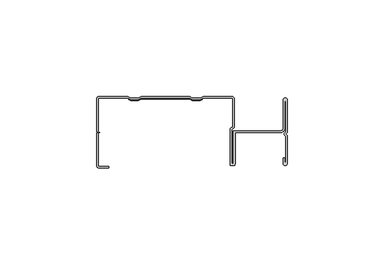
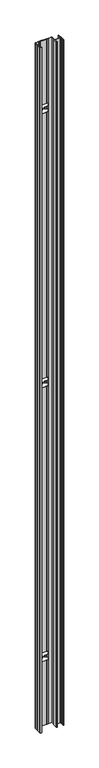
"""IFC4 building model written with IfcOpenShell, lengths in millimetres: proxy geometry."""

from ifc_helpers import new_model, si_unit, frame, origin, place, context, project, spatial, polyline, circle_curve, source, transform, mapped, element, save
from ifc_brep_helpers import plane_surface, cylinder_surface, revolved_surface, advanced_brep


def generic_models_afb41760(model_context):
    return source(origin(), model_context, "Body", "AdvancedBrep", [
        advanced_brep(
        [(-48.45, -36.2, 3000.0), (-48.45, -19.0, 3000.0), (-47.65, -18.5, 3000.0), (-48.45, -18.0, 3000.0), (-48.45, -0.8, 3000.0), (-33.25, -0.8, 3000.0), (-31.75, -1.6, 3000.0), (-27.75, -1.6, 3000.0), (-26.25, -0.8, 3000.0), (-1.2430409, -0.8, 3000.0), (0.2569591, -1.6, 3000.0), (4.2569591, -1.6, 3000.0), (5.7569591, -0.8, 3000.0), (20.9569591, -0.8, 3000.0), (20.9569591, -15.6606186, 3000.0), (20.1914377, -16.1631826, 3000.0), (19.65, -17.1663255, 3000.0), (19.65, -34.9, 3000.0), (20.0014719, -35.7485281, 3000.0), (21.8985281, -35.7485281, 3000.0), (22.25, -34.9, 3000.0), (22.25, -18.5372826, 3000.0), (46.0194341, -18.5372826, 3000.0), (47.9194341, -16.6372826, 3000.0), (47.9194341, -1.8, 3000.0), (48.45, -2.718967, 3000.0), (48.45, -18.3686292, 3000.0), (47.3186292, -19.5, 3000.0), (48.45, -20.6313708, 3000.0), (48.45, -33.5416995, 3000.0), (47.9194341, -34.6, 3000.0), (47.9194341, -31.722038, 3000.0), (47.1194341, -31.722038, 3000.0), (47.1194341, -34.6, 3000.0), (48.1847171, -35.699452, 3000.0), (49.25, -34.6, 3000.0), (49.25, -20.3, 3000.0), (48.45, -19.5, 3000.0), (49.25, -18.7, 3000.0), (49.25, -1.8, 3000.0), (48.1847171, -0.700548, 3000.0), (47.1194341, -1.8, 3000.0), (47.1194341, -16.6372826, 3000.0), (46.0194341, -17.7372826, 3000.0), (21.45, -17.7372826, 3000.0), (21.45, -34.9, 3000.0), (20.45, -34.3226497, 3000.0), (20.45, -16.950429, 3000.0), (21.7569591, -16.0924116, 3000.0), (21.7569591, -1.1, 3000.0), (20.6569591, 0.0, 3000.0), (5.7569591, 0.0, 3000.0), (4.2569591, -0.8, 3000.0), (2.2569591, -0.8, 3000.0), (0.2569591, -0.8, 3000.0), (-1.2430409, 0.0, 3000.0), (-26.25, 0.0, 3000.0), (-27.75, -0.8, 3000.0), (-29.75, -0.8, 3000.0), (-31.75, -0.8, 3000.0), (-33.25, 0.0, 3000.0), (-48.15, 0.0, 3000.0), (-49.25, -1.1, 3000.0), (-49.25, -18.0, 3000.0), (-48.45, -18.5, 3000.0), (-49.25, -19.0, 3000.0), (-49.25, -35.9, 3000.0), (-48.15, -37.0, 3000.0), (-42.95, -37.0, 3000.0), (-42.95, -36.2, 3000.0), (-48.45, -36.2, 0.0), (-42.95, -36.2, 0.0), (-42.95, -37.0, 0.0), (-48.15, -37.0, 0.0), (-49.25, -35.9, 0.0), (-49.25, -19.0, 0.0), (-48.45, -18.5, 0.0), (-49.25, -18.0, 0.0), (-49.25, -1.1, 0.0), (-48.15, 0.0, 0.0), (-33.25, 0.0, 0.0), (-31.75, -0.8, 0.0), (-29.75, -0.8, 0.0), (-27.75, -0.8, 0.0), (-26.25, 0.0, 0.0), (-1.2430409, 0.0, 0.0), (0.2569591, -0.8, 0.0), (2.2569591, -0.8, 0.0), (4.2569591, -0.8, 0.0), (5.7569591, 0.0, 0.0), (20.6569591, 0.0, 0.0), (21.7569591, -1.1, 0.0), (21.7569591, -16.0924116, 0.0), (20.45, -16.950429, 0.0), (20.45, -34.3226497, 0.0), (21.45, -34.9, 0.0), (21.45, -17.7372826, 0.0), (46.0194341, -17.7372826, 0.0), (47.1194341, -16.6372826, 0.0), (47.1194341, -1.8, 0.0), (48.1847171, -0.700548, 0.0), (49.25, -1.8, 0.0), (49.25, -18.7, 0.0), (48.45, -19.5, 0.0), (49.25, -20.3, 0.0), (49.25, -34.6, 0.0), (48.1847171, -35.699452, 0.0), (47.1194341, -34.6, 0.0), (47.1194341, -31.722038, 0.0), (47.9194341, -31.722038, 0.0), (47.9194341, -34.6, 0.0), (48.45, -33.5416995, 0.0), (48.45, -20.6313708, 0.0), (47.3186292, -19.5, 0.0), (48.45, -18.3686292, 0.0), (48.45, -2.718967, 0.0), (47.9194341, -1.8, 0.0), (47.9194341, -16.6372826, 0.0), (46.0194341, -18.5372826, 0.0), (22.25, -18.5372826, 0.0), (22.25, -34.9, 0.0), (21.8985281, -35.7485281, 0.0), (20.0014719, -35.7485281, 0.0), (19.65, -34.9, 0.0), (19.65, -17.1663255, 0.0), (20.1914377, -16.1631826, 0.0), (20.9569591, -15.6606186, 0.0), (20.9569591, -0.8, 0.0), (5.7569591, -0.8, 0.0), (4.2569591, -1.6, 0.0), (0.2569591, -1.6, 0.0), (-1.2430409, -0.8, 0.0), (-26.25, -0.8, 0.0), (-27.75, -1.6, 0.0), (-31.75, -1.6, 0.0), (-33.25, -0.8, 0.0), (-48.45, -0.8, 0.0), (-48.45, -18.0, 0.0), (-47.65, -18.5, 0.0), (-48.45, -19.0, 0.0), (-31.75, -0.8, 2720.0), (-32.7465205, -0.2685224, 2720.0), (-32.7465205, -0.2685224, 2705.0), (-31.75, -0.8, 2704.900348), (-31.75, -0.8, 2695.099652), (-32.7465205, -0.2685224, 2695.0), (-32.7465205, -0.2685224, 2680.0), (-31.75, -0.8, 2680.0), (-31.75, -0.8, 1520.0), (-32.7465205, -0.2685224, 1520.0), (-32.7465205, -0.2685224, 1505.0), (-31.75, -0.8, 1504.900348), (-31.75, -0.8, 1495.099652), (-32.7465205, -0.2685224, 1495.0), (-32.7465205, -0.2685224, 1480.0), (-31.75, -0.8, 1480.0), (-31.75, -0.8, 320.0), (-32.7465205, -0.2685224, 320.0), (-32.7465205, -0.2685224, 305.0), (-31.75, -0.8, 304.900348), (-31.75, -0.8, 295.099652), (-32.7465205, -0.2685224, 295.0), (-32.7465205, -0.2685224, 280.0), (-31.75, -0.8, 280.0), (-29.75, -0.8, 280.0), (-29.75, -0.8, 1480.0), (-29.75, -0.8, 320.0), (-29.75, -0.8, 2680.0), (-29.75, -0.8, 1520.0), (-29.75, -0.8, 2720.0), (-29.75, -0.8, 304.700348), (-29.75, -0.8, 295.299652), (-29.75, -0.8, 1504.700348), (-29.75, -0.8, 1495.299652), (-29.75, -0.8, 2704.700348), (-29.75, -0.8, 2695.299652), (-27.75, -0.8, 280.0), (-27.75, -0.8, 1480.0), (-27.75, -0.8, 320.0), (-27.75, -0.8, 2680.0), (-27.75, -0.8, 1520.0), (-27.75, -0.8, 2720.0), (-27.75, -0.8, 304.500348), (-27.75, -0.8, 295.499652), (-27.75, -0.8, 1504.500348), (-27.75, -0.8, 1495.499652), (-27.75, -0.8, 2704.500348), (-27.75, -0.8, 2695.499652), (-26.25, 0.0, 280.0), (-26.25, 0.0, 1480.0), (-26.25, 0.0, 320.0), (-26.25, 0.0, 2680.0), (-26.25, 0.0, 1520.0), (-26.25, 0.0, 2720.0), (-26.25, 0.0, 304.350348), (-26.25, 0.0, 295.649652), (-26.25, 0.0, 1504.350348), (-26.25, 0.0, 1495.649652), (-26.25, 0.0, 2704.350348), (-26.25, 0.0, 2695.649652), (-1.2430409, 0.0, 280.0), (-1.2430409, 0.0, 1480.0), (-1.2430409, 0.0, 320.0), (-1.2430409, 0.0, 2680.0), (-1.2430409, 0.0, 1520.0), (-1.2430409, 0.0, 2720.0), (-18.6470168, 0.0, 303.5900496), (-17.7465205, 0.0, 302.5950124), (-17.7465205, 0.0, 297.4049876), (-18.6470168, 0.0, 296.4099504), (-1.2430409, 0.0, 295.649652), (-8.8460242, 0.0, 296.4099504), (-9.7465205, 0.0, 297.4049876), (-9.7465205, 0.0, 302.5950124), (-8.8460242, 0.0, 303.5900496), (-1.2430409, 0.0, 304.350348), (-18.6470168, 0.0, 1503.5900496), (-17.7465205, 0.0, 1502.5950124), (-17.7465205, 0.0, 1497.4049876), (-18.6470168, 0.0, 1496.4099504), (-1.2430409, 0.0, 1495.649652), (-8.8460242, 0.0, 1496.4099504), (-9.7465205, 0.0, 1497.4049876), (-9.7465205, 0.0, 1502.5950124), (-8.8460242, 0.0, 1503.5900496), (-1.2430409, 0.0, 1504.350348), (-18.6470168, 0.0, 2703.5900496), (-17.7465205, 0.0, 2702.5950124), (-17.7465205, 0.0, 2697.4049876), (-18.6470168, 0.0, 2696.4099504), (-1.2430409, 0.0, 2695.649652), (-8.8460242, 0.0, 2696.4099504), (-9.7465205, 0.0, 2697.4049876), (-9.7465205, 0.0, 2702.5950124), (-8.8460242, 0.0, 2703.5900496), (-1.2430409, 0.0, 2704.350348), (0.2569591, -0.8, 280.0), (0.2569591, -0.8, 1480.0), (0.2569591, -0.8, 320.0), (0.2569591, -0.8, 2680.0), (0.2569591, -0.8, 1520.0), (0.2569591, -0.8, 2720.0), (0.2569591, -0.8, 304.500348), (0.2569591, -0.8, 295.499652), (0.2569591, -0.8, 1504.500348), (0.2569591, -0.8, 1495.499652), (0.2569591, -0.8, 2704.500348), (0.2569591, -0.8, 2695.499652), (2.2569591, -0.8, 280.0), (2.2569591, -0.8, 1480.0), (2.2569591, -0.8, 320.0), (2.2569591, -0.8, 2680.0), (2.2569591, -0.8, 1520.0), (2.2569591, -0.8, 2720.0), (2.2569591, -0.8, 304.700348), (2.2569591, -0.8, 295.299652), (2.2569591, -0.8, 1504.700348), (2.2569591, -0.8, 1495.299652), (2.2569591, -0.8, 2704.700348), (2.2569591, -0.8, 2695.299652), (4.2569591, -0.8, 280.0), (4.2569591, -0.8, 1480.0), (4.2569591, -0.8, 320.0), (4.2569591, -0.8, 2680.0), (4.2569591, -0.8, 1520.0), (4.2569591, -0.8, 2720.0), (4.2569591, -0.8, 304.900348), (4.2569591, -0.8, 295.099652), (4.2569591, -0.8, 1504.900348), (4.2569591, -0.8, 1495.099652), (4.2569591, -0.8, 2704.900348), (4.2569591, -0.8, 2695.099652), (5.2534795, -0.2685224, 280.0), (5.2534795, -0.2685224, 295.0), (5.2534795, -0.2685224, 305.0), (5.2534795, -0.2685224, 320.0), (5.2534795, -0.2685224, 1480.0), (5.2534795, -0.2685224, 1495.0), (5.2534795, -0.2685224, 1505.0), (5.2534795, -0.2685224, 1520.0), (5.2534795, -0.2685224, 2680.0), (5.2534795, -0.2685224, 2695.0), (5.2534795, -0.2685224, 2705.0), (5.2534795, -0.2685224, 2720.0), (4.2569591, -1.6, 2720.0), (5.2534795, -1.0685224, 2720.0), (5.2534795, -1.0685224, 2705.0), (4.2569591, -1.6, 2704.900348), (4.2569591, -1.6, 2695.099652), (5.2534795, -1.0685224, 2695.0), (5.2534795, -1.0685224, 2680.0), (4.2569591, -1.6, 2680.0), (4.2569591, -1.6, 1520.0), (5.2534795, -1.0685224, 1520.0), (5.2534795, -1.0685224, 1505.0), (4.2569591, -1.6, 1504.900348), (4.2569591, -1.6, 1495.099652), (5.2534795, -1.0685224, 1495.0), (5.2534795, -1.0685224, 1480.0), (4.2569591, -1.6, 1480.0), (4.2569591, -1.6, 320.0), (5.2534795, -1.0685224, 320.0), (5.2534795, -1.0685224, 305.0), (4.2569591, -1.6, 304.900348), (4.2569591, -1.6, 295.099652), (5.2534795, -1.0685224, 295.0), (5.2534795, -1.0685224, 280.0), (4.2569591, -1.6, 280.0), (0.2569591, -1.6, 280.0), (0.2569591, -1.6, 1480.0), (0.2569591, -1.6, 320.0), (0.2569591, -1.6, 2680.0), (0.2569591, -1.6, 1520.0), (0.2569591, -1.6, 2720.0), (0.2569591, -1.6, 304.500348), (0.2569591, -1.6, 295.499652), (0.2569591, -1.6, 1504.500348), (0.2569591, -1.6, 1495.499652), (0.2569591, -1.6, 2704.500348), (0.2569591, -1.6, 2695.499652), (-1.2430409, -0.8, 280.0), (-1.2430409, -0.8, 1480.0), (-1.2430409, -0.8, 320.0), (-1.2430409, -0.8, 2680.0), (-1.2430409, -0.8, 1520.0), (-1.2430409, -0.8, 2720.0), (-1.2430409, -0.8, 304.350348), (-1.2430409, -0.8, 295.649652), (-1.2430409, -0.8, 1504.350348), (-1.2430409, -0.8, 1495.649652), (-1.2430409, -0.8, 2704.350348), (-1.2430409, -0.8, 2695.649652), (-26.25, -0.8, 280.0), (-26.25, -0.8, 1480.0), (-26.25, -0.8, 320.0), (-26.25, -0.8, 2680.0), (-26.25, -0.8, 1520.0), (-26.25, -0.8, 2720.0), (-8.8460242, -0.8, 303.5900496), (-9.7465205, -0.8, 302.5950124), (-9.7465205, -0.8, 297.4049876), (-8.8460242, -0.8, 296.4099504), (-26.25, -0.8, 295.649652), (-18.6470168, -0.8, 296.4099504), (-17.7465205, -0.8, 297.4049876), (-17.7465205, -0.8, 302.5950124), (-18.6470168, -0.8, 303.5900496), (-26.25, -0.8, 304.350348), (-8.8460242, -0.8, 1503.5900496), (-9.7465205, -0.8, 1502.5950124), (-9.7465205, -0.8, 1497.4049876), (-8.8460242, -0.8, 1496.4099504), (-26.25, -0.8, 1495.649652), (-18.6470168, -0.8, 1496.4099504), (-17.7465205, -0.8, 1497.4049876), (-17.7465205, -0.8, 1502.5950124), (-18.6470168, -0.8, 1503.5900496), (-26.25, -0.8, 1504.350348), (-8.8460242, -0.8, 2703.5900496), (-9.7465205, -0.8, 2702.5950124), (-9.7465205, -0.8, 2697.4049876), (-8.8460242, -0.8, 2696.4099504), (-26.25, -0.8, 2695.649652), (-18.6470168, -0.8, 2696.4099504), (-17.7465205, -0.8, 2697.4049876), (-17.7465205, -0.8, 2702.5950124), (-18.6470168, -0.8, 2703.5900496), (-26.25, -0.8, 2704.350348), (-27.75, -1.6, 280.0), (-27.75, -1.6, 1480.0), (-27.75, -1.6, 320.0), (-27.75, -1.6, 2680.0), (-27.75, -1.6, 1520.0), (-27.75, -1.6, 2720.0), (-27.75, -1.6, 304.500348), (-27.75, -1.6, 295.499652), (-27.75, -1.6, 1504.500348), (-27.75, -1.6, 1495.499652), (-27.75, -1.6, 2704.500348), (-27.75, -1.6, 2695.499652), (-31.75, -1.6, 280.0), (-31.75, -1.6, 1480.0), (-31.75, -1.6, 320.0), (-31.75, -1.6, 2680.0), (-31.75, -1.6, 1520.0), (-31.75, -1.6, 2720.0), (-31.75, -1.6, 304.900348), (-31.75, -1.6, 295.099652), (-31.75, -1.6, 1504.900348), (-31.75, -1.6, 1495.099652), (-31.75, -1.6, 2704.900348), (-31.75, -1.6, 2695.099652), (-32.7465205, -1.0685224, 280.0), (-32.7465205, -1.0685224, 295.0), (-32.7465205, -1.0685224, 305.0), (-32.7465205, -1.0685224, 320.0), (-32.7465205, -1.0685224, 1480.0), (-32.7465205, -1.0685224, 1495.0), (-32.7465205, -1.0685224, 1505.0), (-32.7465205, -1.0685224, 1520.0), (-32.7465205, -1.0685224, 2680.0), (-32.7465205, -1.0685224, 2695.0), (-32.7465205, -1.0685224, 2705.0), (-32.7465205, -1.0685224, 2720.0)],
        [
            (0, 1),
            (1, 2),
            (2, 3),
            (3, 4),
            (4, 5),
            (5, 6),
            (6, 7),
            (7, 8),
            (8, 9),
            (9, 10),
            (10, 11),
            (11, 12),
            (12, 13),
            (13, 14),
            (14, 15),
            (15, 16, circle_curve(frame((20.85, -17.1663255, 3000.0), z_axis=(0.0, 0.0, 1.0), x_axis=(1.0, 0.0, 0.0)), 1.2)),
            (16, 17),
            (17, 18, circle_curve(frame((20.85, -34.9, 3000.0), z_axis=(0.0, 0.0, 1.0), x_axis=(1.0, 0.0, 0.0)), 1.2)),
            (18, 19),
            (19, 20, circle_curve(frame((21.05, -34.9, 3000.0), z_axis=(0.0, 0.0, 1.0), x_axis=(1.0, 0.0, 0.0)), 1.2)),
            (20, 21),
            (21, 22),
            (22, 23, circle_curve(frame((46.0194341, -16.6372826, 3000.0), z_axis=(0.0, 0.0, 1.0), x_axis=(1.0, 0.0, 0.0)), 1.9)),
            (23, 24),
            (24, 25),
            (25, 26),
            (26, 27),
            (27, 28),
            (28, 29),
            (29, 30),
            (30, 31),
            (31, 32),
            (32, 33),
            (33, 34, circle_curve(frame((48.2194341, -34.6, 3000.0), z_axis=(0.0, 0.0, 1.0), x_axis=(1.0, 0.0, 0.0)), 1.1)),
            (34, 35, circle_curve(frame((48.15, -34.6, 3000.0), z_axis=(0.0, 0.0, 1.0), x_axis=(1.0, 0.0, 0.0)), 1.1)),
            (35, 36),
            (36, 37),
            (37, 38),
            (38, 39),
            (39, 40, circle_curve(frame((48.15, -1.8, 3000.0), z_axis=(0.0, 0.0, 1.0), x_axis=(1.0, 0.0, 0.0)), 1.1)),
            (40, 41, circle_curve(frame((48.2194341, -1.8, 3000.0), z_axis=(0.0, 0.0, 1.0), x_axis=(1.0, 0.0, 0.0)), 1.1)),
            (41, 42),
            (42, 43, circle_curve(frame((46.0194341, -16.6372826, 3000.0), z_axis=(0.0, 0.0, -1.0), x_axis=(1.0, 0.0, 0.0)), 1.1)),
            (43, 44),
            (44, 45),
            (45, 46),
            (46, 47),
            (47, 48),
            (48, 49),
            (49, 50, circle_curve(frame((20.6569591, -1.1, 3000.0), z_axis=(0.0, 0.0, 1.0), x_axis=(1.0, 0.0, 0.0)), 1.1)),
            (50, 51),
            (51, 52),
            (52, 53),
            (53, 54),
            (54, 55),
            (55, 56),
            (56, 57),
            (57, 58),
            (58, 59),
            (59, 60),
            (60, 61),
            (61, 62, circle_curve(frame((-48.15, -1.1, 3000.0), z_axis=(0.0, 0.0, 1.0), x_axis=(1.0, 0.0, 0.0)), 1.1)),
            (62, 63),
            (63, 64),
            (64, 65),
            (65, 66),
            (66, 67, circle_curve(frame((-48.15, -35.9, 3000.0), z_axis=(0.0, 0.0, 1.0), x_axis=(1.0, 0.0, 0.0)), 1.1)),
            (67, 68),
            (68, 69),
            (69, 0),
            (70, 71),
            (71, 72),
            (72, 73),
            (73, 74, circle_curve(frame((-48.15, -35.9, 0.0), z_axis=(0.0, 0.0, -1.0), x_axis=(1.0, 0.0, 0.0)), 1.1)),
            (74, 75),
            (75, 76),
            (76, 77),
            (77, 78),
            (78, 79, circle_curve(frame((-48.15, -1.1, 0.0), z_axis=(0.0, 0.0, -1.0), x_axis=(1.0, 0.0, 0.0)), 1.1)),
            (79, 80),
            (80, 81),
            (81, 82),
            (82, 83),
            (83, 84),
            (84, 85),
            (85, 86),
            (86, 87),
            (87, 88),
            (88, 89),
            (89, 90),
            (90, 91, circle_curve(frame((20.6569591, -1.1, 0.0), z_axis=(0.0, 0.0, -1.0), x_axis=(1.0, 0.0, 0.0)), 1.1)),
            (91, 92),
            (92, 93),
            (93, 94),
            (94, 95),
            (95, 96),
            (96, 97),
            (97, 98, circle_curve(frame((46.0194341, -16.6372826, 0.0), z_axis=(0.0, 0.0, 1.0), x_axis=(1.0, 0.0, 0.0)), 1.1)),
            (98, 99),
            (99, 100, circle_curve(frame((48.2194341, -1.8, 0.0), z_axis=(0.0, 0.0, -1.0), x_axis=(1.0, 0.0, 0.0)), 1.1)),
            (100, 101, circle_curve(frame((48.15, -1.8, 0.0), z_axis=(0.0, 0.0, -1.0), x_axis=(1.0, 0.0, 0.0)), 1.1)),
            (101, 102),
            (102, 103),
            (103, 104),
            (104, 105),
            (105, 106, circle_curve(frame((48.15, -34.6, 0.0), z_axis=(0.0, 0.0, -1.0), x_axis=(1.0, 0.0, 0.0)), 1.1)),
            (106, 107, circle_curve(frame((48.2194341, -34.6, 0.0), z_axis=(0.0, 0.0, -1.0), x_axis=(1.0, 0.0, 0.0)), 1.1)),
            (107, 108),
            (108, 109),
            (109, 110),
            (110, 111),
            (111, 112),
            (112, 113),
            (113, 114),
            (114, 115),
            (115, 116),
            (116, 117),
            (117, 118, circle_curve(frame((46.0194341, -16.6372826, 0.0), z_axis=(0.0, 0.0, -1.0), x_axis=(1.0, 0.0, 0.0)), 1.9)),
            (118, 119),
            (119, 120),
            (120, 121, circle_curve(frame((21.05, -34.9, 0.0), z_axis=(0.0, 0.0, -1.0), x_axis=(1.0, 0.0, 0.0)), 1.2)),
            (121, 122),
            (122, 123, circle_curve(frame((20.85, -34.9, 0.0), z_axis=(0.0, 0.0, -1.0), x_axis=(1.0, 0.0, 0.0)), 1.2)),
            (123, 124),
            (124, 125, circle_curve(frame((20.85, -17.1663255, 0.0), z_axis=(0.0, 0.0, -1.0), x_axis=(1.0, 0.0, 0.0)), 1.2)),
            (125, 126),
            (126, 127),
            (127, 128),
            (128, 129),
            (129, 130),
            (130, 131),
            (131, 132),
            (132, 133),
            (133, 134),
            (134, 135),
            (135, 136),
            (136, 137),
            (137, 138),
            (138, 139),
            (139, 70),
            (69, 71),
            (70, 0),
            (68, 72),
            (67, 73),
            (66, 74),
            (65, 75),
            (64, 76),
            (63, 77),
            (62, 78),
            (61, 79),
            (60, 80),
            (59, 140),
            (140, 141),
            (141, 142),
            (142, 143),
            (143, 144),
            (144, 145),
            (145, 146),
            (146, 147),
            (147, 148),
            (148, 149),
            (149, 150),
            (150, 151),
            (151, 152),
            (152, 153),
            (153, 154),
            (154, 155),
            (155, 156),
            (156, 157),
            (157, 158),
            (158, 159),
            (159, 160),
            (160, 161),
            (161, 162),
            (162, 163),
            (163, 81),
            (163, 164),
            (164, 82),
            (155, 165),
            (165, 166),
            (166, 156),
            (147, 167),
            (167, 168),
            (168, 148),
            (58, 169),
            (169, 140),
            (159, 170),
            (170, 171),
            (171, 160),
            (151, 172),
            (172, 173),
            (173, 152),
            (143, 174),
            (174, 175),
            (175, 144),
            (164, 176),
            (176, 83),
            (165, 177),
            (177, 178),
            (178, 166),
            (167, 179),
            (179, 180),
            (180, 168),
            (57, 181),
            (181, 169),
            (170, 182),
            (182, 183),
            (183, 171),
            (172, 184),
            (184, 185),
            (185, 173),
            (174, 186),
            (186, 187),
            (187, 175),
            (176, 188),
            (188, 84),
            (177, 189),
            (189, 190),
            (190, 178),
            (179, 191),
            (191, 192),
            (192, 180),
            (56, 193),
            (193, 181),
            (182, 194),
            (194, 195),
            (195, 183),
            (184, 196),
            (196, 197),
            (197, 185),
            (186, 198),
            (198, 199),
            (199, 187),
            (188, 200),
            (200, 85),
            (189, 201),
            (201, 202),
            (202, 190),
            (191, 203),
            (203, 204),
            (204, 192),
            (55, 205),
            (205, 193),
            (194, 206),
            (206, 207, circle_curve(frame((-18.7465205, 0.0, 302.5950124), z_axis=(0.0, 1.0, 0.0), x_axis=(0.0, 0.0, -1.0)), 1.0)),
            (207, 208),
            (208, 209, circle_curve(frame((-18.7465205, 0.0, 297.4049876), z_axis=(0.0, 1.0, 0.0), x_axis=(0.0, 0.0, -1.0)), 1.0)),
            (209, 195),
            (210, 211),
            (211, 212, circle_curve(frame((-8.7465205, 0.0, 297.4049876), z_axis=(0.0, 1.0, 0.0), x_axis=(0.0, 0.0, -1.0)), 1.0)),
            (212, 213),
            (213, 214, circle_curve(frame((-8.7465205, 0.0, 302.5950124), z_axis=(0.0, 1.0, 0.0), x_axis=(0.0, 0.0, -1.0)), 1.0)),
            (214, 215),
            (215, 210),
            (196, 216),
            (216, 217, circle_curve(frame((-18.7465205, 0.0, 1502.5950124), z_axis=(0.0, 1.0, 0.0), x_axis=(0.0, 0.0, -1.0)), 1.0)),
            (217, 218),
            (218, 219, circle_curve(frame((-18.7465205, 0.0, 1497.4049876), z_axis=(0.0, 1.0, 0.0), x_axis=(0.0, 0.0, -1.0)), 1.0)),
            (219, 197),
            (220, 221),
            (221, 222, circle_curve(frame((-8.7465205, 0.0, 1497.4049876), z_axis=(0.0, 1.0, 0.0), x_axis=(0.0, 0.0, -1.0)), 1.0)),
            (222, 223),
            (223, 224, circle_curve(frame((-8.7465205, 0.0, 1502.5950124), z_axis=(0.0, 1.0, 0.0), x_axis=(0.0, 0.0, -1.0)), 1.0)),
            (224, 225),
            (225, 220),
            (198, 226),
            (226, 227, circle_curve(frame((-18.7465205, 0.0, 2702.5950124), z_axis=(0.0, 1.0, 0.0), x_axis=(0.0, 0.0, -1.0)), 1.0)),
            (227, 228),
            (228, 229, circle_curve(frame((-18.7465205, 0.0, 2697.4049876), z_axis=(0.0, 1.0, 0.0), x_axis=(0.0, 0.0, -1.0)), 1.0)),
            (229, 199),
            (230, 231),
            (231, 232, circle_curve(frame((-8.7465205, 0.0, 2697.4049876), z_axis=(0.0, 1.0, 0.0), x_axis=(0.0, 0.0, -1.0)), 1.0)),
            (232, 233),
            (233, 234, circle_curve(frame((-8.7465205, 0.0, 2702.5950124), z_axis=(0.0, 1.0, 0.0), x_axis=(0.0, 0.0, -1.0)), 1.0)),
            (234, 235),
            (235, 230),
            (200, 236),
            (236, 86),
            (201, 237),
            (237, 238),
            (238, 202),
            (203, 239),
            (239, 240),
            (240, 204),
            (54, 241),
            (241, 205),
            (215, 242),
            (242, 243),
            (243, 210),
            (225, 244),
            (244, 245),
            (245, 220),
            (235, 246),
            (246, 247),
            (247, 230),
            (236, 248),
            (248, 87),
            (237, 249),
            (249, 250),
            (250, 238),
            (239, 251),
            (251, 252),
            (252, 240),
            (53, 253),
            (253, 241),
            (242, 254),
            (254, 255),
            (255, 243),
            (244, 256),
            (256, 257),
            (257, 245),
            (246, 258),
            (258, 259),
            (259, 247),
            (248, 260),
            (260, 88),
            (249, 261),
            (261, 262),
            (262, 250),
            (251, 263),
            (263, 264),
            (264, 252),
            (52, 265),
            (265, 253),
            (254, 266),
            (266, 267),
            (267, 255),
            (256, 268),
            (268, 269),
            (269, 257),
            (258, 270),
            (270, 271),
            (271, 259),
            (51, 89),
            (260, 272),
            (272, 273),
            (273, 267),
            (266, 274),
            (274, 275),
            (275, 262),
            (261, 276),
            (276, 277),
            (277, 269),
            (268, 278),
            (278, 279),
            (279, 264),
            (263, 280),
            (280, 281),
            (281, 271),
            (270, 282),
            (282, 283),
            (283, 265),
            (50, 90),
            (49, 91),
            (48, 92),
            (47, 93),
            (46, 94),
            (45, 95),
            (44, 96),
            (43, 97),
            (42, 98),
            (41, 99),
            (40, 100),
            (39, 101),
            (38, 102),
            (37, 103),
            (36, 104),
            (35, 105),
            (34, 106),
            (33, 107),
            (32, 108),
            (31, 109),
            (30, 110),
            (29, 111),
            (28, 112),
            (27, 113),
            (26, 114),
            (25, 115),
            (24, 116),
            (23, 117),
            (22, 118),
            (21, 119),
            (20, 120),
            (19, 121),
            (18, 122),
            (17, 123),
            (16, 124),
            (15, 125),
            (14, 126),
            (13, 127),
            (12, 128),
            (11, 284),
            (284, 285),
            (285, 286),
            (286, 287),
            (287, 288),
            (288, 289),
            (289, 290),
            (290, 291),
            (291, 292),
            (292, 293),
            (293, 294),
            (294, 295),
            (295, 296),
            (296, 297),
            (297, 298),
            (298, 299),
            (299, 300),
            (300, 301),
            (301, 302),
            (302, 303),
            (303, 304),
            (304, 305),
            (305, 306),
            (306, 307),
            (307, 129),
            (307, 308),
            (308, 130),
            (299, 309),
            (309, 310),
            (310, 300),
            (291, 311),
            (311, 312),
            (312, 292),
            (10, 313),
            (313, 284),
            (303, 314),
            (314, 315),
            (315, 304),
            (295, 316),
            (316, 317),
            (317, 296),
            (287, 318),
            (318, 319),
            (319, 288),
            (308, 320),
            (320, 131),
            (309, 321),
            (321, 322),
            (322, 310),
            (311, 323),
            (323, 324),
            (324, 312),
            (9, 325),
            (325, 313),
            (314, 326),
            (326, 327),
            (327, 315),
            (316, 328),
            (328, 329),
            (329, 317),
            (318, 330),
            (330, 331),
            (331, 319),
            (320, 332),
            (332, 132),
            (321, 333),
            (333, 334),
            (334, 322),
            (323, 335),
            (335, 336),
            (336, 324),
            (8, 337),
            (337, 325),
            (326, 338),
            (338, 339, circle_curve(frame((-8.7465205, -0.8, 302.5950124), z_axis=(0.0, -1.0, 0.0), x_axis=(0.0, 0.0, -1.0)), 1.0)),
            (339, 340),
            (340, 341, circle_curve(frame((-8.7465205, -0.8, 297.4049876), z_axis=(0.0, -1.0, 0.0), x_axis=(0.0, 0.0, -1.0)), 1.0)),
            (341, 327),
            (342, 343),
            (343, 344, circle_curve(frame((-18.7465205, -0.8, 297.4049876), z_axis=(0.0, -1.0, 0.0), x_axis=(0.0, 0.0, -1.0)), 1.0)),
            (344, 345),
            (345, 346, circle_curve(frame((-18.7465205, -0.8, 302.5950124), z_axis=(0.0, -1.0, 0.0), x_axis=(0.0, 0.0, -1.0)), 1.0)),
            (346, 347),
            (347, 342),
            (328, 348),
            (348, 349, circle_curve(frame((-8.7465205, -0.8, 1502.5950124), z_axis=(0.0, -1.0, 0.0), x_axis=(0.0, 0.0, -1.0)), 1.0)),
            (349, 350),
            (350, 351, circle_curve(frame((-8.7465205, -0.8, 1497.4049876), z_axis=(0.0, -1.0, 0.0), x_axis=(0.0, 0.0, -1.0)), 1.0)),
            (351, 329),
            (352, 353),
            (353, 354, circle_curve(frame((-18.7465205, -0.8, 1497.4049876), z_axis=(0.0, -1.0, 0.0), x_axis=(0.0, 0.0, -1.0)), 1.0)),
            (354, 355),
            (355, 356, circle_curve(frame((-18.7465205, -0.8, 1502.5950124), z_axis=(0.0, -1.0, 0.0), x_axis=(0.0, 0.0, -1.0)), 1.0)),
            (356, 357),
            (357, 352),
            (330, 358),
            (358, 359, circle_curve(frame((-8.7465205, -0.8, 2702.5950124), z_axis=(0.0, -1.0, 0.0), x_axis=(0.0, 0.0, -1.0)), 1.0)),
            (359, 360),
            (360, 361, circle_curve(frame((-8.7465205, -0.8, 2697.4049876), z_axis=(0.0, -1.0, 0.0), x_axis=(0.0, 0.0, -1.0)), 1.0)),
            (361, 331),
            (362, 363),
            (363, 364, circle_curve(frame((-18.7465205, -0.8, 2697.4049876), z_axis=(0.0, -1.0, 0.0), x_axis=(0.0, 0.0, -1.0)), 1.0)),
            (364, 365),
            (365, 366, circle_curve(frame((-18.7465205, -0.8, 2702.5950124), z_axis=(0.0, -1.0, 0.0), x_axis=(0.0, 0.0, -1.0)), 1.0)),
            (366, 367),
            (367, 362),
            (332, 368),
            (368, 133),
            (333, 369),
            (369, 370),
            (370, 334),
            (335, 371),
            (371, 372),
            (372, 336),
            (7, 373),
            (373, 337),
            (347, 374),
            (374, 375),
            (375, 342),
            (357, 376),
            (376, 377),
            (377, 352),
            (367, 378),
            (378, 379),
            (379, 362),
            (368, 380),
            (380, 134),
            (369, 381),
            (381, 382),
            (382, 370),
            (371, 383),
            (383, 384),
            (384, 372),
            (6, 385),
            (385, 373),
            (374, 386),
            (386, 387),
            (387, 375),
            (376, 388),
            (388, 389),
            (389, 377),
            (378, 390),
            (390, 391),
            (391, 379),
            (5, 135),
            (380, 392),
            (392, 393),
            (393, 387),
            (386, 394),
            (394, 395),
            (395, 382),
            (381, 396),
            (396, 397),
            (397, 389),
            (388, 398),
            (398, 399),
            (399, 384),
            (383, 400),
            (400, 401),
            (401, 391),
            (390, 402),
            (402, 403),
            (403, 385),
            (4, 136),
            (3, 137),
            (2, 138),
            (1, 139),
            (305, 273),
            (272, 306),
            (341, 211),
            (340, 212),
            (339, 213),
            (338, 214),
            (302, 274),
            (301, 275),
            (395, 157),
            (394, 158),
            (346, 206),
            (345, 207),
            (344, 208),
            (343, 209),
            (393, 161),
            (392, 162),
            (297, 277),
            (276, 298),
            (351, 221),
            (350, 222),
            (349, 223),
            (348, 224),
            (294, 278),
            (293, 279),
            (399, 149),
            (398, 150),
            (356, 216),
            (355, 217),
            (354, 218),
            (353, 219),
            (397, 153),
            (396, 154),
            (289, 281),
            (280, 290),
            (361, 231),
            (360, 232),
            (359, 233),
            (358, 234),
            (286, 282),
            (285, 283),
            (403, 141),
            (402, 142),
            (366, 226),
            (365, 227),
            (364, 228),
            (363, 229),
            (401, 145),
            (400, 146),
        ],
        [
            plane_surface(frame((-42.95, -36.2, 3000.0), z_axis=(0.0, 0.0, 1.0), x_axis=(1.0, 0.0, 0.0))),
            plane_surface(frame((-42.95, -36.2, 0.0), z_axis=(0.0, 0.0, -1.0), x_axis=(-1.0, 0.0, 0.0))),
            plane_surface(frame((-48.45, -36.2, 3000.0), z_axis=(0.0, 1.0, 0.0), x_axis=(0.0, 0.0, -1.0))),
            plane_surface(frame((-42.95, -36.2, 3000.0), z_axis=(1.0, 0.0, 0.0), x_axis=(0.0, 0.0, -1.0))),
            plane_surface(frame((-42.95, -37.0, 3000.0), z_axis=(0.0, -1.0, 0.0), x_axis=(0.0, 0.0, -1.0))),
            cylinder_surface(frame((-48.15, -35.9, 0.0), z_axis=(0.0, 0.0, 1.0), x_axis=(1.0, 0.0, 0.0)), 1.1),
            plane_surface(frame((-49.25, -35.9, 3000.0), z_axis=(-1.0, 0.0, 0.0), x_axis=(0.0, 0.0, -1.0))),
            plane_surface(frame((-49.25, -19.0, 3000.0), z_axis=(-0.5299989400029833, 0.8479983040052109, 0.0), x_axis=(0.0, 0.0, -1.0))),
            plane_surface(frame((-48.45, -18.5, 3000.0), z_axis=(-0.5299989400029769, -0.8479983040052149, 0.0), x_axis=(0.0, 0.0, -1.0))),
            plane_surface(frame((-49.25, -18.0, 3000.0), z_axis=(-1.0, 0.0, 0.0), x_axis=(0.0, 0.0, -1.0))),
            cylinder_surface(frame((-48.15, -1.1, 0.0), z_axis=(0.0, 0.0, 1.0), x_axis=(1.0, 0.0, 0.0)), 1.1),
            plane_surface(frame((-48.15, 0.0, 3000.0), z_axis=(0.0, 1.0, 0.0), x_axis=(0.0, 0.0, -1.0))),
            plane_surface(frame((-33.25, 0.0, 3000.0), z_axis=(0.4705882352940174, 0.8823529411765241, 0.0), x_axis=(0.0, 0.0, -1.0))),
            plane_surface(frame((-31.75, -0.8, 3000.0), z_axis=(0.0, 1.0, 0.0), x_axis=(0.0, 0.0, -1.0))),
            plane_surface(frame((-29.75, -0.8, 3000.0), z_axis=(0.0, 1.0, 0.0), x_axis=(0.0, 0.0, -1.0))),
            plane_surface(frame((-27.75, -0.8, 3000.0), z_axis=(-0.4705882352941196, 0.8823529411764697, 0.0), x_axis=(0.0, 0.0, -1.0))),
            plane_surface(frame((-26.25, 0.0, 3000.0), z_axis=(0.0, 1.0, 0.0), x_axis=(0.0, 0.0, -1.0))),
            plane_surface(frame((-1.2430409, 0.0, 3000.0), z_axis=(0.4705882352940605, 0.8823529411765011, 0.0), x_axis=(0.0, 0.0, -1.0))),
            plane_surface(frame((0.2569591, -0.8, 3000.0), z_axis=(0.0, 1.0, 0.0), x_axis=(0.0, 0.0, -1.0))),
            plane_surface(frame((2.2569591, -0.8, 3000.0), z_axis=(0.0, 1.0, 0.0), x_axis=(0.0, 0.0, -1.0))),
            plane_surface(frame((4.2569591, -0.8, 3000.0), z_axis=(-0.47058823529406923, 0.8823529411764964, 0.0), x_axis=(0.0, 0.0, -1.0))),
            plane_surface(frame((5.7569591, 0.0, 3000.0), z_axis=(0.0, 1.0, 0.0), x_axis=(0.0, 0.0, -1.0))),
            cylinder_surface(frame((20.6569591, -1.1, 0.0), z_axis=(0.0, 0.0, 1.0), x_axis=(1.0, 0.0, 0.0)), 1.1),
            plane_surface(frame((21.7569591, -1.1, 3000.0), z_axis=(1.0, 0.0, 0.0), x_axis=(0.0, 0.0, -1.0))),
            plane_surface(frame((21.7569591, -16.0924116, 3000.0), z_axis=(0.5488019530424924, -0.8359524007602024, 0.0), x_axis=(0.0, 0.0, -1.0))),
            plane_surface(frame((20.45, -16.950429, 3000.0), z_axis=(1.0, 0.0, 0.0), x_axis=(0.0, 0.0, -1.0))),
            plane_surface(frame((20.45, -34.3226497, 3000.0), z_axis=(0.499999999999997, 0.8660254037844404, 0.0), x_axis=(0.0, 0.0, -1.0))),
            plane_surface(frame((21.45, -34.9, 3000.0), z_axis=(-1.0, 0.0, 0.0), x_axis=(0.0, 0.0, -1.0))),
            plane_surface(frame((21.45, -17.7372826, 3000.0), z_axis=(0.0, 1.0, 0.0), x_axis=(0.0, 0.0, -1.0))),
            revolved_surface(polyline([(47.1194341, -16.6372826, 0.0), (47.1194341, -16.6372826, 3000.0)]), (46.0194341, -16.6372826, 0.0), (0.0, 0.0, -1.0)),
            plane_surface(frame((47.1194341, -16.6372826, 3000.0), z_axis=(-1.0, 0.0, 0.0), x_axis=(0.0, 0.0, -1.0))),
            cylinder_surface(frame((48.2194341, -1.8, 0.0), z_axis=(0.0, 0.0, 1.0), x_axis=(1.0, 0.0, 0.0)), 1.1),
            cylinder_surface(frame((48.15, -1.8, 0.0), z_axis=(0.0, 0.0, 1.0), x_axis=(1.0, 0.0, 0.0)), 1.1),
            plane_surface(frame((49.25, -1.8, 3000.0), z_axis=(1.0, 0.0, 0.0), x_axis=(0.0, 0.0, -1.0))),
            plane_surface(frame((49.25, -18.7, 3000.0), z_axis=(0.7071067811865503, -0.7071067811865447, 0.0), x_axis=(0.0, 0.0, -1.0))),
            plane_surface(frame((48.45, -19.5, 3000.0), z_axis=(0.7071067811868953, 0.7071067811861999, 0.0), x_axis=(0.0, 0.0, -1.0))),
            plane_surface(frame((49.25, -20.3, 3000.0), z_axis=(1.0, 0.0, 0.0), x_axis=(0.0, 0.0, -1.0))),
            cylinder_surface(frame((48.15, -34.6, 0.0), z_axis=(0.0, 0.0, 1.0), x_axis=(1.0, 0.0, 0.0)), 1.1),
            cylinder_surface(frame((48.2194341, -34.6, 0.0), z_axis=(0.0, 0.0, 1.0), x_axis=(1.0, 0.0, 0.0)), 1.1),
            plane_surface(frame((47.1194341, -34.6, 3000.0), z_axis=(-1.0, 0.0, 0.0), x_axis=(0.0, 0.0, -1.0))),
            plane_surface(frame((47.1194341, -31.722038, 3000.0), z_axis=(0.0, 1.0, 0.0), x_axis=(0.0, 0.0, -1.0))),
            plane_surface(frame((47.9194341, -31.722038, 3000.0), z_axis=(1.0, 0.0, 0.0), x_axis=(0.0, 0.0, -1.0))),
            plane_surface(frame((47.9194341, -34.6, 3000.0), z_axis=(-0.8939483787901537, 0.4481699410474291, 0.0), x_axis=(0.0, 0.0, -1.0))),
            plane_surface(frame((48.45, -33.5416995, 3000.0), z_axis=(-1.0, 0.0, 0.0), x_axis=(0.0, 0.0, -1.0))),
            plane_surface(frame((48.45, -20.6313708, 3000.0), z_axis=(-0.7071067811869176, -0.7071067811861774, 0.0), x_axis=(0.0, 0.0, -1.0))),
            plane_surface(frame((47.3186292, -19.5, 3000.0), z_axis=(-0.7071067811865396, 0.7071067811865555, 0.0), x_axis=(0.0, 0.0, -1.0))),
            plane_surface(frame((48.45, -18.3686292, 3000.0), z_axis=(-1.0, 0.0, 0.0), x_axis=(0.0, 0.0, -1.0))),
            plane_surface(frame((48.45, -2.718967, 3000.0), z_axis=(-0.8660254037844343, -0.5000000000000077, 0.0), x_axis=(0.0, 0.0, -1.0))),
            plane_surface(frame((47.9194341, -1.8, 3000.0), z_axis=(1.0, 0.0, 0.0), x_axis=(0.0, 0.0, -1.0))),
            cylinder_surface(frame((46.0194341, -16.6372826, 0.0), z_axis=(0.0, 0.0, 1.0), x_axis=(1.0, 0.0, 0.0)), 1.9),
            plane_surface(frame((46.0194341, -18.5372826, 3000.0), z_axis=(0.0, -1.0, 0.0), x_axis=(0.0, 0.0, -1.0))),
            plane_surface(frame((22.25, -18.5372826, 3000.0), z_axis=(1.0, 0.0, 0.0), x_axis=(0.0, 0.0, -1.0))),
            cylinder_surface(frame((21.05, -34.9, 0.0), z_axis=(0.0, 0.0, 1.0), x_axis=(1.0, 0.0, 0.0)), 1.2),
            plane_surface(frame((21.8985281, -35.7485281, 3000.0), z_axis=(0.0, -1.0, 0.0), x_axis=(0.0, 0.0, -1.0))),
            cylinder_surface(frame((20.85, -34.9, 0.0), z_axis=(0.0, 0.0, 1.0), x_axis=(1.0, 0.0, 0.0)), 1.2),
            plane_surface(frame((19.65, -34.9, 3000.0), z_axis=(-1.0, 0.0, 0.0), x_axis=(0.0, 0.0, -1.0))),
            cylinder_surface(frame((20.85, -17.1663255, 0.0), z_axis=(0.0, 0.0, 1.0), x_axis=(1.0, 0.0, 0.0)), 1.2),
            plane_surface(frame((20.1914377, -16.1631826, 3000.0), z_axis=(-0.54880195304252, 0.8359524007601843, 0.0), x_axis=(0.0, 0.0, -1.0))),
            plane_surface(frame((20.9569591, -15.6606186, 3000.0), z_axis=(-1.0, 0.0, 0.0), x_axis=(0.0, 0.0, -1.0))),
            plane_surface(frame((20.9569591, -0.8, 3000.0), z_axis=(0.0, -1.0, 0.0), x_axis=(0.0, 0.0, -1.0))),
            plane_surface(frame((5.7569591, -0.8, 3000.0), z_axis=(0.47058823529406113, -0.8823529411765008, 0.0), x_axis=(0.0, 0.0, -1.0))),
            plane_surface(frame((4.2569591, -1.6, 3000.0), z_axis=(0.0, -1.0, 0.0), x_axis=(0.0, 0.0, -1.0))),
            plane_surface(frame((0.2569591, -1.6, 3000.0), z_axis=(-0.47058823529410565, -0.882352941176477, 0.0), x_axis=(0.0, 0.0, -1.0))),
            plane_surface(frame((-1.2430409, -0.8, 3000.0), z_axis=(0.0, -1.0, 0.0), x_axis=(0.0, 0.0, -1.0))),
            plane_surface(frame((-26.25, -0.8, 3000.0), z_axis=(0.470588235294112, -0.8823529411764737, 0.0), x_axis=(0.0, 0.0, -1.0))),
            plane_surface(frame((-27.75, -1.6, 3000.0), z_axis=(0.0, -1.0, 0.0), x_axis=(0.0, 0.0, -1.0))),
            plane_surface(frame((-31.75, -1.6, 3000.0), z_axis=(-0.4705882352940553, -0.8823529411765039, 0.0), x_axis=(0.0, 0.0, -1.0))),
            plane_surface(frame((-33.25, -0.8, 3000.0), z_axis=(0.0, -1.0, 0.0), x_axis=(0.0, 0.0, -1.0))),
            plane_surface(frame((-48.45, -0.8, 3000.0), z_axis=(1.0, 0.0, 0.0), x_axis=(0.0, 0.0, -1.0))),
            plane_surface(frame((-48.45, -18.0, 3000.0), z_axis=(0.5299989400029946, 0.8479983040052038, 0.0), x_axis=(0.0, 0.0, -1.0))),
            plane_surface(frame((-47.65, -18.5, 3000.0), z_axis=(0.5299989400030026, -0.8479983040051988, 0.0), x_axis=(0.0, 0.0, -1.0))),
            plane_surface(frame((-48.45, -19.0, 3000.0), z_axis=(1.0, 0.0, 0.0), x_axis=(0.0, 0.0, -1.0))),
            plane_surface(frame((5.2534795, 250.0, 280.0), z_axis=(-1.0, 0.0, 0.0), x_axis=(0.0, -1.0, 0.0))),
            plane_surface(frame((5.2534795, 250.0, 295.0), z_axis=(-0.09950371902100412, 0.0, -0.9950371902099887), x_axis=(0.0, -1.0, 0.0))),
            cylinder_surface(frame((-8.7465205, -133.0702704, 297.4049876), z_axis=(0.0, -1.0, 0.0), x_axis=(0.0, 0.0, -1.0)), 1.0),
            plane_surface(frame((-9.7465205, 250.0, 297.4049876), z_axis=(-1.0, 0.0, 0.0), x_axis=(0.0, -1.0, 0.0))),
            cylinder_surface(frame((-8.7465205, -133.0702704, 302.5950124), z_axis=(0.0, -1.0, 0.0), x_axis=(0.0, 0.0, -1.0)), 1.0),
            plane_surface(frame((-8.8460242, 250.0, 303.5900496), z_axis=(-0.09950371902100487, 0.0, 0.9950371902099886), x_axis=(0.0, -1.0, 0.0))),
            plane_surface(frame((5.2534795, 250.0, 305.0), z_axis=(-1.0, 0.0, 0.0), x_axis=(0.0, -1.0, 0.0))),
            plane_surface(frame((5.2534795, 250.0, 320.0), z_axis=(0.0, 0.0, -1.0), x_axis=(0.0, -1.0, 0.0))),
            plane_surface(frame((-32.7465205, 250.0, 320.0), z_axis=(1.0, 0.0, 0.0), x_axis=(0.0, -1.0, 0.0))),
            plane_surface(frame((-32.7465205, 250.0, 305.0), z_axis=(0.09950371902100406, 0.0, 0.9950371902099887), x_axis=(0.0, -1.0, 0.0))),
            cylinder_surface(frame((-18.7465205, -133.0702704, 302.5950124), z_axis=(0.0, -1.0, 0.0), x_axis=(0.0, 0.0, -1.0)), 1.0),
            plane_surface(frame((-17.7465205, 250.0, 302.5950124), z_axis=(1.0, 0.0, 0.0), x_axis=(0.0, -1.0, 0.0))),
            cylinder_surface(frame((-18.7465205, -133.0702704, 297.4049876), z_axis=(0.0, -1.0, 0.0), x_axis=(0.0, 0.0, -1.0)), 1.0),
            plane_surface(frame((-18.6470168, 250.0, 296.4099504), z_axis=(0.09950371902100481, 0.0, -0.9950371902099886), x_axis=(0.0, -1.0, 0.0))),
            plane_surface(frame((-32.7465205, 250.0, 295.0), z_axis=(1.0, 0.0, 0.0), x_axis=(0.0, -1.0, 0.0))),
            plane_surface(frame((-32.7465205, 250.0, 280.0), z_axis=(0.0, 0.0, 1.0), x_axis=(0.0, -1.0, 0.0))),
            plane_surface(frame((5.2534795, 250.0, 1480.0), z_axis=(-1.0, 0.0, 0.0), x_axis=(0.0, -1.0, 0.0))),
            plane_surface(frame((5.2534795, 250.0, 1495.0), z_axis=(-0.09950371902101116, 0.0, -0.9950371902099879), x_axis=(0.0, -1.0, 0.0))),
            cylinder_surface(frame((-8.7465205, -133.0702704, 1497.4049876), z_axis=(0.0, -1.0, 0.0), x_axis=(0.0, 0.0, -1.0)), 1.0),
            plane_surface(frame((-9.7465205, 250.0, 1497.4049876), z_axis=(-1.0, 0.0, 0.0), x_axis=(0.0, -1.0, 0.0))),
            cylinder_surface(frame((-8.7465205, -133.0702704, 1502.5950124), z_axis=(0.0, -1.0, 0.0), x_axis=(0.0, 0.0, -1.0)), 1.0),
            plane_surface(frame((-8.8460242, 250.0, 1503.5900496), z_axis=(-0.09950371902100971, 0.0, 0.9950371902099882), x_axis=(0.0, -1.0, 0.0))),
            plane_surface(frame((5.2534795, 250.0, 1505.0), z_axis=(-1.0, 0.0, 0.0), x_axis=(0.0, -1.0, 0.0))),
            plane_surface(frame((5.2534795, 250.0, 1520.0), z_axis=(0.0, 0.0, -1.0), x_axis=(0.0, -1.0, 0.0))),
            plane_surface(frame((-32.7465205, 250.0, 1520.0), z_axis=(1.0, 0.0, 0.0), x_axis=(0.0, -1.0, 0.0))),
            plane_surface(frame((-32.7465205, 250.0, 1505.0), z_axis=(0.09950371902101095, 0.0, 0.995037190209988), x_axis=(0.0, -1.0, 0.0))),
            cylinder_surface(frame((-18.7465205, -133.0702704, 1502.5950124), z_axis=(0.0, -1.0, 0.0), x_axis=(0.0, 0.0, -1.0)), 1.0),
            plane_surface(frame((-17.7465205, 250.0, 1502.5950124), z_axis=(1.0, 0.0, 0.0), x_axis=(0.0, -1.0, 0.0))),
            cylinder_surface(frame((-18.7465205, -133.0702704, 1497.4049876), z_axis=(0.0, -1.0, 0.0), x_axis=(0.0, 0.0, -1.0)), 1.0),
            plane_surface(frame((-18.6470168, 250.0, 1496.4099504), z_axis=(0.09950371902099546, 0.0, -0.9950371902099896), x_axis=(0.0, -1.0, 0.0))),
            plane_surface(frame((-32.7465205, 250.0, 1495.0), z_axis=(1.0, 0.0, 0.0), x_axis=(0.0, -1.0, 0.0))),
            plane_surface(frame((-32.7465205, 250.0, 1480.0), z_axis=(0.0, 0.0, 1.0), x_axis=(0.0, -1.0, 0.0))),
            plane_surface(frame((5.2534795, 250.0, 2680.0), z_axis=(-1.0, 0.0, 0.0), x_axis=(0.0, -1.0, 0.0))),
            plane_surface(frame((5.2534795, 250.0, 2695.0), z_axis=(-0.09950371902099245, 0.0, -0.9950371902099898), x_axis=(0.0, -1.0, 0.0))),
            cylinder_surface(frame((-8.7465205, -133.0702704, 2697.4049876), z_axis=(0.0, -1.0, 0.0), x_axis=(0.0, 0.0, -1.0)), 1.0),
            plane_surface(frame((-9.7465205, 250.0, 2697.4049876), z_axis=(-1.0, 0.0, 0.0), x_axis=(0.0, -1.0, 0.0))),
            cylinder_surface(frame((-8.7465205, -133.0702704, 2702.5950124), z_axis=(0.0, -1.0, 0.0), x_axis=(0.0, 0.0, -1.0)), 1.0),
            plane_surface(frame((-8.8460242, 250.0, 2703.5900496), z_axis=(-0.0995037190209908, 0.0, 0.99503719020999), x_axis=(0.0, -1.0, 0.0))),
            plane_surface(frame((5.2534795, 250.0, 2705.0), z_axis=(-1.0, 0.0, 0.0), x_axis=(0.0, -1.0, 0.0))),
            plane_surface(frame((5.2534795, 250.0, 2720.0), z_axis=(0.0, 0.0, -1.0), x_axis=(0.0, -1.0, 0.0))),
            plane_surface(frame((-32.7465205, 250.0, 2720.0), z_axis=(1.0, 0.0, 0.0), x_axis=(0.0, -1.0, 0.0))),
            plane_surface(frame((-32.7465205, 250.0, 2705.0), z_axis=(0.09950371902099239, 0.0, 0.9950371902099898), x_axis=(0.0, -1.0, 0.0))),
            cylinder_surface(frame((-18.7465205, -133.0702704, 2702.5950124), z_axis=(0.0, -1.0, 0.0), x_axis=(0.0, 0.0, -1.0)), 1.0),
            plane_surface(frame((-17.7465205, 250.0, 2702.5950124), z_axis=(1.0, 0.0, 0.0), x_axis=(0.0, -1.0, 0.0))),
            cylinder_surface(frame((-18.7465205, -133.0702704, 2697.4049876), z_axis=(0.0, -1.0, 0.0), x_axis=(0.0, 0.0, -1.0)), 1.0),
            plane_surface(frame((-18.6470168, 250.0, 2696.4099504), z_axis=(0.09950371902099545, 0.0, -0.9950371902099895), x_axis=(0.0, -1.0, 0.0))),
            plane_surface(frame((-32.7465205, 250.0, 2695.0), z_axis=(1.0, 0.0, 0.0), x_axis=(0.0, -1.0, 0.0))),
            plane_surface(frame((-32.7465205, 250.0, 2680.0), z_axis=(0.0, 0.0, 1.0), x_axis=(0.0, -1.0, 0.0))),
        ],
        [
            (0, [[1, 2, 3, 4, 5, 6, 7, 8, 9, 10, 11, 12, 13, 14, 15, 16, 17, 18, 19, 20, 21, 22, 23, 24, 25, 26, 27, 28, 29, 30, 31, 32, 33, 34, 35, 36, 37, 38, 39, 40, 41, 42, 43, 44, 45, 46, 47, 48, 49, 50, 51, 52, 53, 54, 55, 56, 57, 58, 59, 60, 61, 62, 63, 64, 65, 66, 67, 68, 69, 70]]),
            (1, [[71, 72, 73, 74, 75, 76, 77, 78, 79, 80, 81, 82, 83, 84, 85, 86, 87, 88, 89, 90, 91, 92, 93, 94, 95, 96, 97, 98, 99, 100, 101, 102, 103, 104, 105, 106, 107, 108, 109, 110, 111, 112, 113, 114, 115, 116, 117, 118, 119, 120, 121, 122, 123, 124, 125, 126, 127, 128, 129, 130, 131, 132, 133, 134, 135, 136, 137, 138, 139, 140]]),
            (2, [[141, -71, 142, -70]]),
            (3, [[143, -72, -141, -69]]),
            (4, [[144, -73, -143, -68]]),
            (5, [[145, -74, -144, -67]]),
            (6, [[146, -75, -145, -66]]),
            (7, [[147, -76, -146, -65]]),
            (8, [[148, -77, -147, -64]]),
            (9, [[149, -78, -148, -63]]),
            (10, [[150, -79, -149, -62]]),
            (11, [[151, -80, -150, -61]]),
            (12, [[152, 153, 154, 155, 156, 157, 158, 159, 160, 161, 162, 163, 164, 165, 166, 167, 168, 169, 170, 171, 172, 173, 174, 175, 176, -81, -151, -60]]),
            (13, [[-176, 177, 178, -82]]),
            (13, [[-168, 179, 180, 181]]),
            (13, [[-160, 182, 183, 184]]),
            (13, [[185, 186, -152, -59]]),
            (13, [[187, 188, 189, -172]]),
            (13, [[190, 191, 192, -164]]),
            (13, [[193, 194, 195, -156]]),
            (14, [[-178, 196, 197, -83]]),
            (14, [[-180, 198, 199, 200]]),
            (14, [[-183, 201, 202, 203]]),
            (14, [[204, 205, -185, -58]]),
            (14, [[206, 207, 208, -188]]),
            (14, [[209, 210, 211, -191]]),
            (14, [[212, 213, 214, -194]]),
            (15, [[-197, 215, 216, -84]]),
            (15, [[-199, 217, 218, 219]]),
            (15, [[-202, 220, 221, 222]]),
            (15, [[223, 224, -204, -57]]),
            (15, [[225, 226, 227, -207]]),
            (15, [[228, 229, 230, -210]]),
            (15, [[231, 232, 233, -213]]),
            (16, [[-216, 234, 235, -85]]),
            (16, [[-218, 236, 237, 238]]),
            (16, [[-221, 239, 240, 241]]),
            (16, [[242, 243, -223, -56]]),
            (16, [[244, 245, 246, 247, 248, -226]]),
            (16, [[249, 250, 251, 252, 253, 254]]),
            (16, [[255, 256, 257, 258, 259, -229]]),
            (16, [[260, 261, 262, 263, 264, 265]]),
            (16, [[266, 267, 268, 269, 270, -232]]),
            (16, [[271, 272, 273, 274, 275, 276]]),
            (17, [[-235, 277, 278, -86]]),
            (17, [[-237, 279, 280, 281]]),
            (17, [[-240, 282, 283, 284]]),
            (17, [[285, 286, -242, -55]]),
            (17, [[287, 288, 289, -254]]),
            (17, [[290, 291, 292, -265]]),
            (17, [[293, 294, 295, -276]]),
            (18, [[-278, 296, 297, -87]]),
            (18, [[-280, 298, 299, 300]]),
            (18, [[-283, 301, 302, 303]]),
            (18, [[304, 305, -285, -54]]),
            (18, [[306, 307, 308, -288]]),
            (18, [[309, 310, 311, -291]]),
            (18, [[312, 313, 314, -294]]),
            (19, [[-297, 315, 316, -88]]),
            (19, [[-299, 317, 318, 319]]),
            (19, [[-302, 320, 321, 322]]),
            (19, [[323, 324, -304, -53]]),
            (19, [[325, 326, 327, -307]]),
            (19, [[328, 329, 330, -310]]),
            (19, [[331, 332, 333, -313]]),
            (20, [[334, -89, -316, 335, 336, 337, -326, 338, 339, 340, -318, 341, 342, 343, -329, 344, 345, 346, -321, 347, 348, 349, -332, 350, 351, 352, -323, -52]]),
            (21, [[353, -90, -334, -51]]),
            (22, [[354, -91, -353, -50]]),
            (23, [[355, -92, -354, -49]]),
            (24, [[356, -93, -355, -48]]),
            (25, [[357, -94, -356, -47]]),
            (26, [[358, -95, -357, -46]]),
            (27, [[359, -96, -358, -45]]),
            (28, [[360, -97, -359, -44]]),
            (29, [[361, -98, -360, -43]]),
            (30, [[362, -99, -361, -42]]),
            (31, [[363, -100, -362, -41]]),
            (32, [[364, -101, -363, -40]]),
            (33, [[365, -102, -364, -39]]),
            (34, [[366, -103, -365, -38]]),
            (35, [[367, -104, -366, -37]]),
            (36, [[368, -105, -367, -36]]),
            (37, [[369, -106, -368, -35]]),
            (38, [[370, -107, -369, -34]]),
            (39, [[371, -108, -370, -33]]),
            (40, [[372, -109, -371, -32]]),
            (41, [[373, -110, -372, -31]]),
            (42, [[374, -111, -373, -30]]),
            (43, [[375, -112, -374, -29]]),
            (44, [[376, -113, -375, -28]]),
            (45, [[377, -114, -376, -27]]),
            (46, [[378, -115, -377, -26]]),
            (47, [[379, -116, -378, -25]]),
            (48, [[380, -117, -379, -24]]),
            (49, [[381, -118, -380, -23]]),
            (50, [[382, -119, -381, -22]]),
            (51, [[383, -120, -382, -21]]),
            (52, [[384, -121, -383, -20]]),
            (53, [[385, -122, -384, -19]]),
            (54, [[386, -123, -385, -18]]),
            (55, [[387, -124, -386, -17]]),
            (56, [[388, -125, -387, -16]]),
            (57, [[389, -126, -388, -15]]),
            (58, [[390, -127, -389, -14]]),
            (59, [[391, -128, -390, -13]]),
            (60, [[392, 393, 394, 395, 396, 397, 398, 399, 400, 401, 402, 403, 404, 405, 406, 407, 408, 409, 410, 411, 412, 413, 414, 415, 416, -129, -391, -12]]),
            (61, [[-416, 417, 418, -130]]),
            (61, [[-408, 419, 420, 421]]),
            (61, [[-400, 422, 423, 424]]),
            (61, [[425, 426, -392, -11]]),
            (61, [[427, 428, 429, -412]]),
            (61, [[430, 431, 432, -404]]),
            (61, [[433, 434, 435, -396]]),
            (62, [[-418, 436, 437, -131]]),
            (62, [[-420, 438, 439, 440]]),
            (62, [[-423, 441, 442, 443]]),
            (62, [[444, 445, -425, -10]]),
            (62, [[446, 447, 448, -428]]),
            (62, [[449, 450, 451, -431]]),
            (62, [[452, 453, 454, -434]]),
            (63, [[-437, 455, 456, -132]]),
            (63, [[-439, 457, 458, 459]]),
            (63, [[-442, 460, 461, 462]]),
            (63, [[463, 464, -444, -9]]),
            (63, [[465, 466, 467, 468, 469, -447]]),
            (63, [[470, 471, 472, 473, 474, 475]]),
            (63, [[476, 477, 478, 479, 480, -450]]),
            (63, [[481, 482, 483, 484, 485, 486]]),
            (63, [[487, 488, 489, 490, 491, -453]]),
            (63, [[492, 493, 494, 495, 496, 497]]),
            (64, [[-456, 498, 499, -133]]),
            (64, [[-458, 500, 501, 502]]),
            (64, [[-461, 503, 504, 505]]),
            (64, [[506, 507, -463, -8]]),
            (64, [[508, 509, 510, -475]]),
            (64, [[511, 512, 513, -486]]),
            (64, [[514, 515, 516, -497]]),
            (65, [[-499, 517, 518, -134]]),
            (65, [[-501, 519, 520, 521]]),
            (65, [[-504, 522, 523, 524]]),
            (65, [[525, 526, -506, -7]]),
            (65, [[527, 528, 529, -509]]),
            (65, [[530, 531, 532, -512]]),
            (65, [[533, 534, 535, -515]]),
            (66, [[536, -135, -518, 537, 538, 539, -528, 540, 541, 542, -520, 543, 544, 545, -531, 546, 547, 548, -523, 549, 550, 551, -534, 552, 553, 554, -525, -6]]),
            (67, [[555, -136, -536, -5]]),
            (68, [[556, -137, -555, -4]]),
            (69, [[557, -138, -556, -3]]),
            (70, [[558, -139, -557, -2]]),
            (71, [[-142, -140, -558, -1]]),
            (72, [[-414, 559, -336, 560]]),
            (73, [[-413, -429, -448, -469, 561, -249, -289, -308, -327, -337, -559]]),
            (74, [[-468, 562, -250, -561]]),
            (75, [[-467, 563, -251, -562]]),
            (76, [[-466, 564, -252, -563]]),
            (77, [[-465, -446, -427, -411, 565, -338, -325, -306, -287, -253, -564]]),
            (78, [[-410, 566, -339, -565]]),
            (79, [[-409, -421, -440, -459, -502, -521, -542, 567, -169, -181, -200, -219, -238, -281, -300, -319, -340, -566]]),
            (80, [[-541, 568, -170, -567]]),
            (81, [[-540, -527, -508, -474, 569, -244, -225, -206, -187, -171, -568]]),
            (82, [[-473, 570, -245, -569]]),
            (83, [[-472, 571, -246, -570]]),
            (84, [[-471, 572, -247, -571]]),
            (85, [[-470, -510, -529, -539, 573, -173, -189, -208, -227, -248, -572]]),
            (86, [[-538, 574, -174, -573]]),
            (87, [[-335, -315, -296, -277, -234, -215, -196, -177, -175, -574, -537, -517, -498, -455, -436, -417, -415, -560]]),
            (88, [[-406, 575, -342, 576]]),
            (89, [[-405, -432, -451, -480, 577, -260, -292, -311, -330, -343, -575]]),
            (90, [[-479, 578, -261, -577]]),
            (91, [[-478, 579, -262, -578]]),
            (92, [[-477, 580, -263, -579]]),
            (93, [[-476, -449, -430, -403, 581, -344, -328, -309, -290, -264, -580]]),
            (94, [[-402, 582, -345, -581]]),
            (95, [[-401, -424, -443, -462, -505, -524, -548, 583, -161, -184, -203, -222, -241, -284, -303, -322, -346, -582]]),
            (96, [[-547, 584, -162, -583]]),
            (97, [[-546, -530, -511, -485, 585, -255, -228, -209, -190, -163, -584]]),
            (98, [[-484, 586, -256, -585]]),
            (99, [[-483, 587, -257, -586]]),
            (100, [[-482, 588, -258, -587]]),
            (101, [[-481, -513, -532, -545, 589, -165, -192, -211, -230, -259, -588]]),
            (102, [[-544, 590, -166, -589]]),
            (103, [[-341, -317, -298, -279, -236, -217, -198, -179, -167, -590, -543, -519, -500, -457, -438, -419, -407, -576]]),
            (104, [[-398, 591, -348, 592]]),
            (105, [[-397, -435, -454, -491, 593, -271, -295, -314, -333, -349, -591]]),
            (106, [[-490, 594, -272, -593]]),
            (107, [[-489, 595, -273, -594]]),
            (108, [[-488, 596, -274, -595]]),
            (109, [[-487, -452, -433, -395, 597, -350, -331, -312, -293, -275, -596]]),
            (110, [[-394, 598, -351, -597]]),
            (111, [[-393, -426, -445, -464, -507, -526, -554, 599, -153, -186, -205, -224, -243, -286, -305, -324, -352, -598]]),
            (112, [[-553, 600, -154, -599]]),
            (113, [[-552, -533, -514, -496, 601, -266, -231, -212, -193, -155, -600]]),
            (114, [[-495, 602, -267, -601]]),
            (115, [[-494, 603, -268, -602]]),
            (116, [[-493, 604, -269, -603]]),
            (117, [[-492, -516, -535, -551, 605, -157, -195, -214, -233, -270, -604]]),
            (118, [[-550, 606, -158, -605]]),
            (119, [[-347, -320, -301, -282, -239, -220, -201, -182, -159, -606, -549, -522, -503, -460, -441, -422, -399, -592]]),
        ],
    ),
    ])


if __name__ == "__main__":
    model = new_model("IFC4")
    model_context = context("Model", 3, world=origin())
    ifc_project = project(units=[si_unit("LENGTHUNIT", "METRE", prefix="MILLI")], contexts=[model_context])
    site = spatial("IfcSite", under=ifc_project)
    building = spatial("IfcBuilding", under=site)
    placement = place(None, origin())
    generic_models_shape = generic_models_afb41760(model_context)
    element("IfcBuildingElementProxy", 1, Name="Generic Models", at=placement, inside=building, context=model_context, shape_type="MappedRepresentation", body=[
        mapped(generic_models_shape, transform((0.0, 0.0, 0.0), x_axis=(1.0, 0.0, 0.0), y_axis=(0.0, 1.0, 0.0), z_axis=(0.0, 0.0, 1.0))),
    ])
    save(model, "model.ifc")
